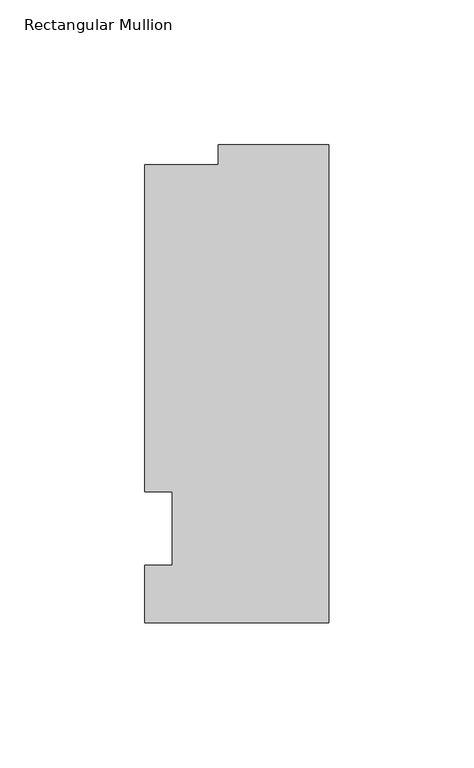
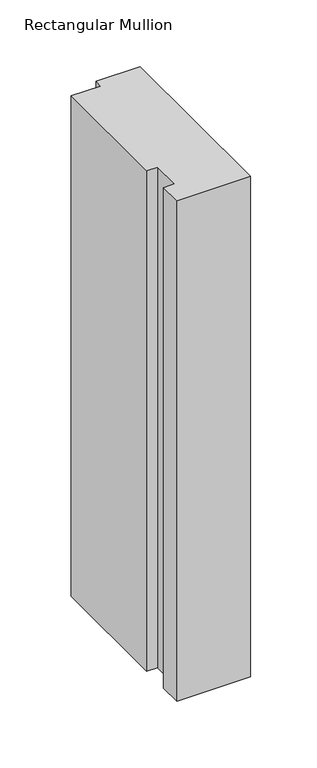
"""IFC4 building model written with IfcOpenShell, lengths in millimetres: member geometry, Rectangular Mullion."""

import ifcopenshell
import ifcopenshell.guid

model = None  # the IFC model being written
_history = None  # IfcOwnerHistory: only IFC2X3 demands one
_inside = {}  # id of a spatial element -> (the spatial element, [elements in it])
_under = {}  # id of a project, library or spatial element -> (it, [spatial elements below it])
_declared = {}  # id of a project -> (the project, [libraries it declares])
_typed = {}  # id of a type object -> (the type object, [elements of that type])
_made_of = {}  # id of a material, layer set ... -> (it, [elements and type objects made of it])


def new_model(schema):
    """Start an empty IFC model of exactly this schema.

    Asked for "IFC4X3", IfcOpenShell would pick the latest addendum, in which some entities
    have other attributes; the version numbers below select the first issue.
    IFC2X3 requires an IfcOwnerHistory on every rooted entity: one is made here for all.
    """
    global model, _history
    if schema == "IFC4X3":
        model = ifcopenshell.file(schema_version=(4, 3, 0, 0))
    else:
        model = ifcopenshell.file(schema=schema)
    _inside.clear()
    _under.clear()
    _declared.clear()
    _typed.clear()
    _made_of.clear()
    _history = None
    if model.schema == "IFC2X3":
        org = make("IfcOrganization", Name="unknown")
        user = make(
            "IfcPersonAndOrganization",
            ThePerson=make("IfcPerson", FamilyName="unknown"),
            TheOrganization=org,
        )
        app = make(
            "IfcApplication",
            ApplicationDeveloper=org,
            Version="unknown",
            ApplicationFullName="unknown",
            ApplicationIdentifier="unknown",
        )
        _history = make(
            "IfcOwnerHistory",
            OwningUser=user,
            OwningApplication=app,
            ChangeAction="ADDED",
            CreationDate=0,
        )
    return model


def make(cls, **values):
    """One entity of the class cls with the attributes given. An attribute that is None is left unset."""
    return model.create_entity(
        cls, **{name: value for name, value in values.items() if value is not None}
    )


def rooted(cls, **values):
    """An entity with a GlobalId (a new one), such as an element, a storey or a relation."""
    return make(cls, GlobalId=ifcopenshell.guid.new(), OwnerHistory=_history, **values)


def si_unit(unit_type, name, prefix=None):
    """IfcSIUnit, for example si_unit("LENGTHUNIT", "METRE", prefix="MILLI")."""
    return make("IfcSIUnit", UnitType=unit_type, Prefix=prefix, Name=name)


def assignment(units):
    """IfcUnitAssignment: the units of a project."""
    return None if units is None else make("IfcUnitAssignment", Units=units)


def point(xyz):
    """IfcCartesianPoint."""
    return None if xyz is None else make("IfcCartesianPoint", Coordinates=xyz)


def direction(xyz):
    """IfcDirection."""
    return None if xyz is None else make("IfcDirection", DirectionRatios=xyz)


def frame(location, z_axis=None, x_axis=None):
    """IfcAxis2Placement3D, a coordinate frame: its origin and axes. An axis left out is left unset."""
    return make(
        "IfcAxis2Placement3D",
        Location=point(location),
        Axis=direction(z_axis),
        RefDirection=direction(x_axis),
    )


def origin():
    """The frame at (0, 0, 0) with its axes left unset."""
    return frame((0.0, 0.0, 0.0))


def place(relative_to, where):
    """IfcLocalPlacement: puts the frame where relative to a parent placement (None: the world)."""
    return make(
        "IfcLocalPlacement", PlacementRelTo=relative_to, RelativePlacement=where
    )


def context(
    kind, dimensions, precision=None, world=None, true_north=None, identifier=None
):
    """IfcGeometricRepresentationContext, for example the 3D "Model" context."""
    return make(
        "IfcGeometricRepresentationContext",
        ContextIdentifier=identifier,
        ContextType=kind,
        CoordinateSpaceDimension=dimensions,
        Precision=precision,
        WorldCoordinateSystem=world,
        TrueNorth=true_north,
    )


def project(units=None, contexts=None):
    """IfcProject with its units and contexts."""
    return rooted(
        "IfcProject",
        Name="project",
        RepresentationContexts=contexts,
        UnitsInContext=assignment(units),
    )


def spatial(cls, under=None, at=None, **own):
    """A site, building, storey or space (cls), placed at a placement, below another one or the project."""
    s = rooted(cls, ObjectPlacement=at, **own)
    if under is not None:
        _under.setdefault(under.id(), (under, []))[1].append(s)
    return s


def polyline(points):
    """IfcPolyline through the points."""
    return make("IfcPolyline", Points=[point(p) for p in points])


def outline(outer, holes=None, kind="AREA"):
    """IfcArbitraryClosedProfileDef: a profile drawn as a closed curve; with holes, ...WithVoids."""
    if holes is None:
        return make("IfcArbitraryClosedProfileDef", ProfileType=kind, OuterCurve=outer)
    return make(
        "IfcArbitraryProfileDefWithVoids",
        ProfileType=kind,
        OuterCurve=outer,
        InnerCurves=holes,
    )


def extrude(swept, where, along, depth):
    """IfcExtrudedAreaSolid: the profile swept, set in the frame where, extruded along a direction by depth."""
    return make(
        "IfcExtrudedAreaSolid",
        SweptArea=swept,
        Position=where,
        ExtrudedDirection=direction(along),
        Depth=depth,
    )


def shape(context_of_items, identifier, shape_type, items):
    """IfcShapeRepresentation: the items that make up one representation, for example the "Body"."""
    return make(
        "IfcShapeRepresentation",
        ContextOfItems=context_of_items,
        RepresentationIdentifier=identifier,
        RepresentationType=shape_type,
        Items=items,
    )


def source(mapping_origin, context_of_items, identifier, shape_type, items):
    """IfcRepresentationMap: a shape defined once, which mapped items show again and again."""
    return make(
        "IfcRepresentationMap",
        MappingOrigin=mapping_origin,
        MappedRepresentation=shape(context_of_items, identifier, shape_type, items),
    )


def transform(
    local_origin,
    x_axis=None,
    y_axis=None,
    z_axis=None,
    scale=None,
    scale2=None,
    scale3=None,
    uniform=True,
):
    """IfcCartesianTransformationOperator3D, or its non-uniform kind. x_axis, y_axis, z_axis: its Axis1, 2, 3."""
    if uniform:
        return make(
            "IfcCartesianTransformationOperator3D",
            Axis1=direction(x_axis),
            Axis2=direction(y_axis),
            LocalOrigin=point(local_origin),
            Scale=scale,
            Axis3=direction(z_axis),
        )
    return make(
        "IfcCartesianTransformationOperator3DnonUniform",
        Axis1=direction(x_axis),
        Axis2=direction(y_axis),
        LocalOrigin=point(local_origin),
        Scale=scale,
        Axis3=direction(z_axis),
        Scale2=scale2,
        Scale3=scale3,
    )


def mapped(mapping_source, mapping_target):
    """IfcMappedItem: shows the shape of a source again, moved by a transform."""
    return make(
        "IfcMappedItem", MappingSource=mapping_source, MappingTarget=mapping_target
    )


def made_of(thing, what):
    """Note that an element or type object is made of a material, layer set ...; save() writes the relation."""
    if what is not None:
        _made_of.setdefault(what.id(), (what, []))[1].append(thing)
    return thing


def element(
    cls,
    number,
    at=None,
    inside=None,
    cuts=None,
    type_object=None,
    material=None,
    context=None,
    identifier="Body",
    shape_type=None,
    held_by="IfcProductDefinitionShape",
    body=None,
    shapes=None,
    **own,
):
    """One element of the class cls, such as IfcWall. Its Tag is "e" and its number.

    at: its placement. inside: the storey or other place that contains it. cuts: it is an
    opening in that element (IfcRelVoidsElement). A single representation is given by context,
    identifier, shape_type and body (its items); several are given by shapes. held_by: the class
    of the entity that holds the representations. save() writes the other relations.
    """
    e = rooted(cls, Tag="e%d" % number, ObjectPlacement=at, **own)
    if body is not None:
        shapes = [shape(context, identifier, shape_type, body)]
    if shapes is not None:
        e.Representation = make(held_by, Representations=shapes)
    if inside is not None:
        _inside.setdefault(inside.id(), (inside, []))[1].append(e)
    if cuts is not None:
        rooted(
            "IfcRelVoidsElement", RelatingBuildingElement=cuts, RelatedOpeningElement=e
        )
    if type_object is not None:
        _typed.setdefault(type_object.id(), (type_object, []))[1].append(e)
    return made_of(e, material)


def aggregate(whole, parts):
    """IfcRelAggregates: a whole, such as a stair, and the parts it consists of."""
    return rooted("IfcRelAggregates", RelatingObject=whole, RelatedObjects=parts)


def save(model, path):
    """Write the relations noted so far, then the file.

    IfcRelAggregates (storeys below a building ...), IfcRelContainedInSpatialStructure (elements
    in a storey), IfcRelDefinesByType, IfcRelAssociatesMaterial and IfcRelDeclares: one each for
    every whole, place, type object, material and project.
    """
    for whole, parts in _under.values():
        aggregate(whole, parts)
    for where, things in _inside.values():
        rooted(
            "IfcRelContainedInSpatialStructure",
            RelatedElements=things,
            RelatingStructure=where,
        )
    for kind, things in _typed.values():
        rooted("IfcRelDefinesByType", RelatedObjects=things, RelatingType=kind)
    for what, things in _made_of.values():
        rooted("IfcRelAssociatesMaterial", RelatedObjects=things, RelatingMaterial=what)
    for by, libraries in _declared.values():
        rooted("IfcRelDeclares", RelatingContext=by, RelatedDefinitions=libraries)
    model.write(path)


def rectangular_mullion_e72b7f26(model_context):
    return source(origin(), model_context, "Body", "SweptSolid", [
        extrude(outline(polyline([(-63.5, -32.54375), (-63.5, -12.7), (-53.975, -12.7), (-53.975, 12.7), (-63.5, 12.7), (-63.5, 125.59665), (-38.1, 125.59665), (-38.1, 132.55625), (0.0, 132.55625), (0.0, -32.54375), (-63.5, -32.54375)])), frame((0.0, 0.0, -457.2), z_axis=(0.0, 0.0, 1.0), x_axis=(1.0, 0.0, 0.0)), (0.0, 0.0, 1.0), 457.2),
    ])


if __name__ == "__main__":
    model = new_model("IFC4")
    model_context = context("Model", 3, world=origin())
    ifc_project = project(units=[si_unit("LENGTHUNIT", "METRE", prefix="MILLI")], contexts=[model_context])
    site = spatial("IfcSite", under=ifc_project)
    building = spatial("IfcBuilding", under=site)
    placement = place(None, origin())
    rectangular_mullion_shape = rectangular_mullion_e72b7f26(model_context)
    element("IfcMember", 1, ObjectType="Rectangular Mullion", at=placement, inside=building, context=model_context, shape_type="MappedRepresentation", body=[
        mapped(rectangular_mullion_shape, transform((0.0, 0.0, 0.0), x_axis=(1.0, 0.0, 0.0), y_axis=(0.0, 1.0, 0.0), z_axis=(0.0, 0.0, 1.0))),
    ])
    save(model, "model.ifc")
